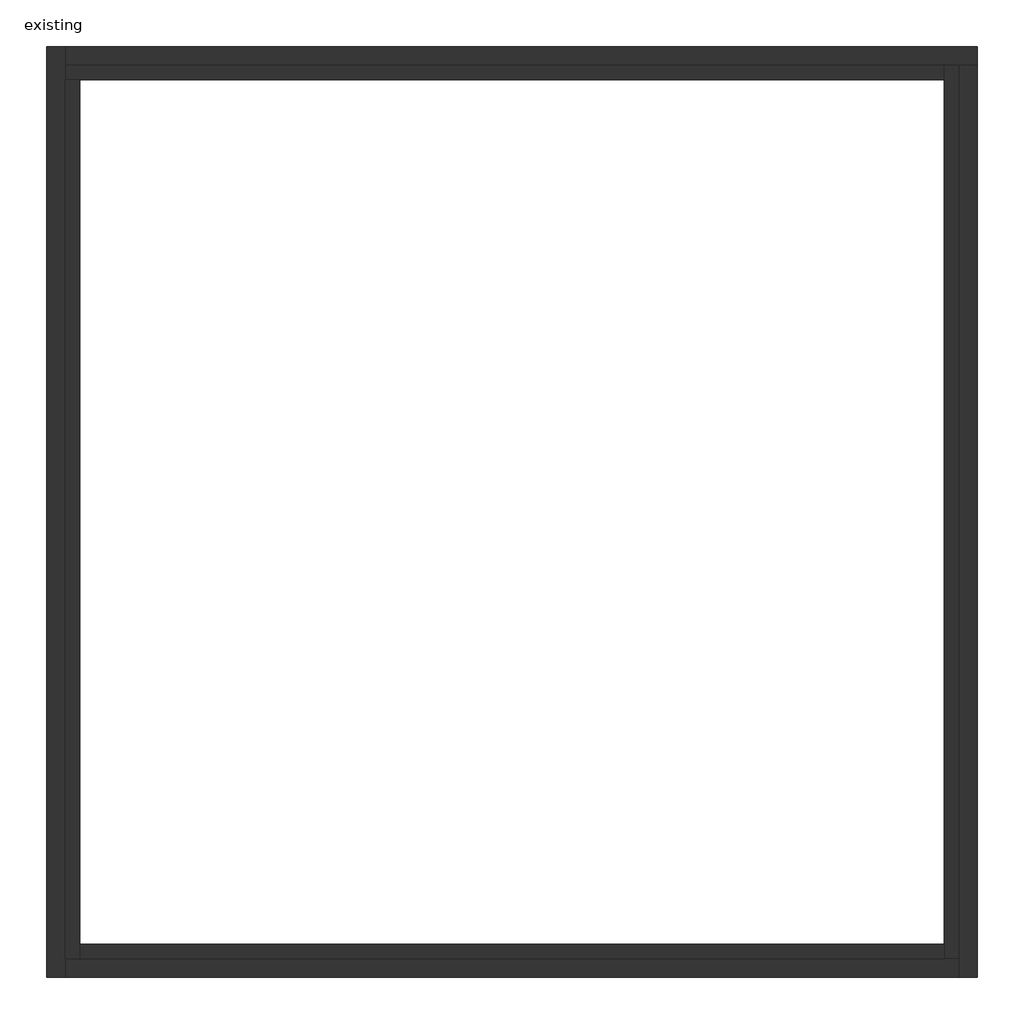
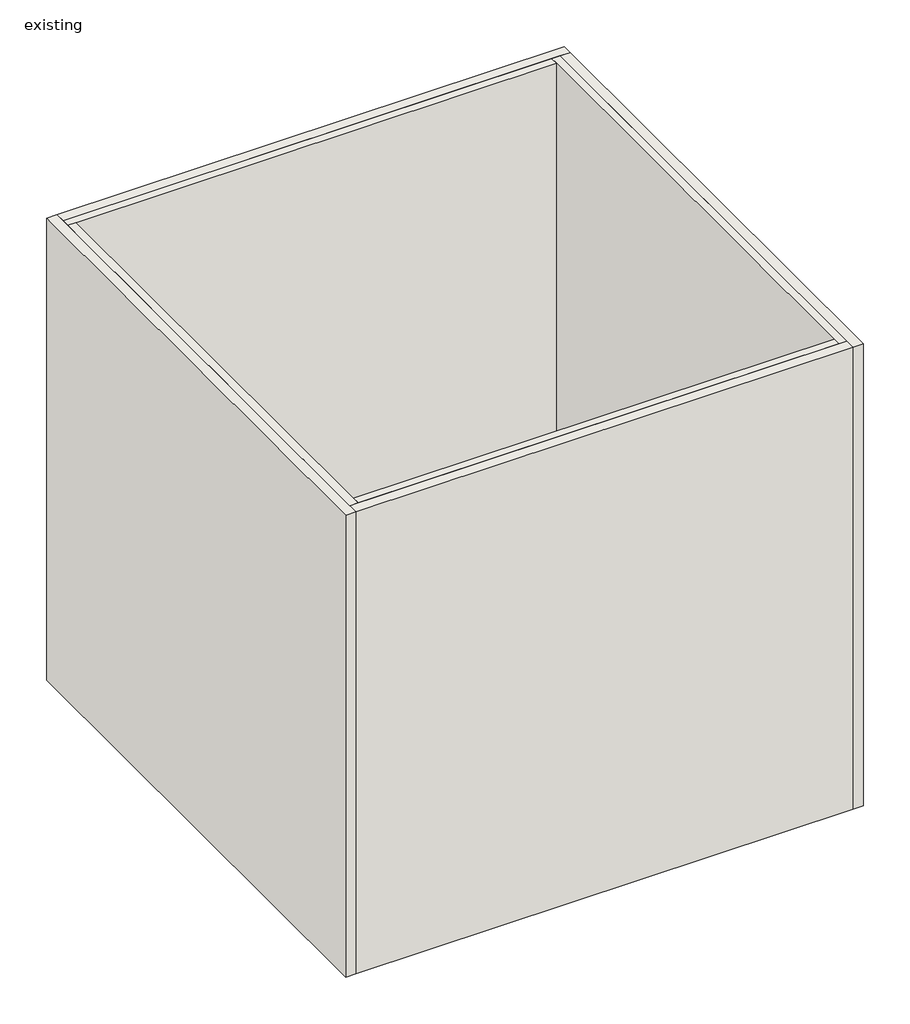
# One storey: 8 walls.
"""IFC4 building model written with IfcOpenShell, lengths in millimetres."""

from ifc_helpers import new_model, si_unit, origin, origin_with_axes, place, context, project, spatial, polyline, outline, extrude, faceted_brep, element, save

model = new_model("IFC4")

# Units and contexts
model_context = context("Model", 3, world=origin())
ifc_project = project(units=[si_unit("LENGTHUNIT", "METRE", prefix="MILLI")], contexts=[model_context])

# Site, building, storey
site = spatial("IfcSite", under=ifc_project)
building = spatial("IfcBuilding", under=site)
storey = spatial("IfcBuildingStorey", under=building, Name="existing", Elevation=0.0)

# Walls
placement = place(None, origin())
element("IfcWall", 1, ObjectType="Exterior - Brick on Wood Stud", at=placement, inside=storey, context=model_context, shape_type="Brep", body=[
    faceted_brep([(-2119.3845984, -4378.7482715, 0.0), (-2119.3845984, -4248.5732715, 0.0), (-2119.3845984, 1949.0267285, 0.0), (-2119.3845984, 2079.2017285, 0.0), (-2119.3845984, 2079.2017285, 6096.0), (-2119.3845984, 1949.0267285, 6096.0), (-2119.3845984, -4248.5732715, 6096.0), (-2119.3845984, -4378.7482715, 6096.0), (-2249.5595984, -4378.7482715, 0.0), (-2249.5595984, -4378.7482715, 6096.0), (-2249.5595984, 2079.2017285, 6096.0), (-2249.5595984, 2079.2017285, 0.0)], [[[0, 1, 2, 3, 4, 5, 6, 7]], [[8, 9, 10, 11]], [[3, 2, 1, 0, 8, 11]], [[7, 6, 5, 4, 10, 9]], [[4, 3, 11, 10]], [[0, 7, 9, 8]]]),
])
element("IfcWall", 2, ObjectType="Exterior - Brick on Wood Stud", at=placement, inside=storey, context=model_context, shape_type="Brep", body=[
    faceted_brep([(-2119.3845984, 1949.0267285, 0.0), (4078.2154016, 1949.0267285, 0.0), (4208.3904016, 1949.0267285, 0.0), (4208.3904016, 1949.0267285, 6096.0), (4078.2154016, 1949.0267285, 6096.0), (-2119.3845984, 1949.0267285, 6096.0), (-2119.3845984, 2079.2017285, 0.0), (-2119.3845984, 2079.2017285, 6096.0), (4208.3904016, 2079.2017285, 6096.0), (4208.3904016, 2079.2017285, 0.0)], [[[0, 1, 2, 3, 4, 5]], [[6, 7, 8, 9]], [[2, 1, 0, 6, 9]], [[5, 4, 3, 8, 7]], [[3, 2, 9, 8]], [[0, 5, 7, 6]]]),
])
element("IfcWall", 3, ObjectType="Exterior - Brick on Wood Stud", at=placement, inside=storey, context=model_context, shape_type="Brep", body=[
    faceted_brep([(4078.2154016, 1949.0267285, 0.0), (4078.2154016, -4248.5732715, 0.0), (4078.2154016, -4378.7482715, 0.0), (4078.2154016, -4378.7482715, 6096.0), (4078.2154016, -4248.5732715, 6096.0), (4078.2154016, 1949.0267285, 6096.0), (4208.3904016, 1949.0267285, 0.0), (4208.3904016, 1949.0267285, 6096.0), (4208.3904016, -4378.7482715, 6096.0), (4208.3904016, -4378.7482715, 0.0)], [[[0, 1, 2, 3, 4, 5]], [[6, 7, 8, 9]], [[2, 1, 0, 6, 9]], [[5, 4, 3, 8, 7]], [[3, 2, 9, 8]], [[0, 5, 7, 6]]]),
])
element("IfcWall", 4, ObjectType="Exterior - Brick on Wood Stud", at=placement, inside=storey, context=model_context, shape_type="SweptSolid", body=[
    extrude(outline(polyline([(-2119.3845984, -4248.5732715), (4078.2154016, -4248.5732715), (4078.2154016, -4378.7482715), (-2119.3845984, -4378.7482715), (-2119.3845984, -4248.5732715)])), origin_with_axes(), (0.0, 0.0, 1.0), 6096.0),
])
element("IfcWall", 5, ObjectType="Generic - 4\"", at=placement, inside=storey, context=model_context, shape_type="Brep", body=[
    faceted_brep([(-2119.3845984, 1847.4267285, 0.0), (-2017.7845984, 1847.4267285, 0.0), (3976.6154016, 1847.4267285, 0.0), (3976.6154016, 1847.4267285, 6096.0), (-2017.7845984, 1847.4267285, 6096.0), (-2119.3845984, 1847.4267285, 6096.0), (-2119.3845984, 1949.0267285, 0.0), (-2119.3845984, 1949.0267285, 6096.0), (3976.6154016, 1949.0267285, 6096.0), (3976.6154016, 1949.0267285, 0.0)], [[[0, 1, 2, 3, 4, 5]], [[6, 7, 8, 9]], [[2, 1, 0, 6, 9]], [[5, 4, 3, 8, 7]], [[0, 5, 7, 6]], [[3, 2, 9, 8]]]),
])
element("IfcWall", 6, ObjectType="Generic - 4\"", at=placement, inside=storey, context=model_context, shape_type="Brep", body=[
    faceted_brep([(-2017.7845984, -4248.5732715, 0.0), (-2017.7845984, -4146.9732715, 0.0), (-2017.7845984, 1847.4267285, 0.0), (-2017.7845984, 1847.4267285, 6096.0), (-2017.7845984, -4146.9732715, 6096.0), (-2017.7845984, -4248.5732715, 6096.0), (-2119.3845984, -4248.5732715, 0.0), (-2119.3845984, -4248.5732715, 6096.0), (-2119.3845984, 1847.4267285, 6096.0), (-2119.3845984, 1847.4267285, 0.0)], [[[0, 1, 2, 3, 4, 5]], [[6, 7, 8, 9]], [[2, 1, 0, 6, 9]], [[5, 4, 3, 8, 7]], [[0, 5, 7, 6]], [[3, 2, 9, 8]]]),
])
element("IfcWall", 7, ObjectType="Generic - 4\"", at=placement, inside=storey, context=model_context, shape_type="SweptSolid", body=[
    extrude(outline(polyline([(-2017.7845984, -4146.9732715), (3976.6154016, -4146.9732715), (3976.6154016, -4248.5732715), (-2017.7845984, -4248.5732715), (-2017.7845984, -4146.9732715)])), origin_with_axes(), (0.0, 0.0, 1.0), 6096.0),
])
element("IfcWall", 8, ObjectType="Generic - 4\"", at=placement, inside=storey, context=model_context, shape_type="Brep", body=[
    faceted_brep([(3976.6154016, 1949.0267285, 0.0), (3976.6154016, 1847.4267285, 0.0), (3976.6154016, -4146.9732715, 0.0), (3976.6154016, -4248.5732715, 0.0), (3976.6154016, -4248.5732715, 6096.0), (3976.6154016, -4146.9732715, 6096.0), (3976.6154016, 1847.4267285, 6096.0), (3976.6154016, 1949.0267285, 6096.0), (4078.2154016, 1949.0267285, 0.0), (4078.2154016, 1949.0267285, 6096.0), (4078.2154016, -4248.5732715, 6096.0), (4078.2154016, -4248.5732715, 0.0)], [[[0, 1, 2, 3, 4, 5, 6, 7]], [[8, 9, 10, 11]], [[3, 2, 1, 0, 8, 11]], [[7, 6, 5, 4, 10, 9]], [[0, 7, 9, 8]], [[4, 3, 11, 10]]]),
])

save(model, "model.ifc")
